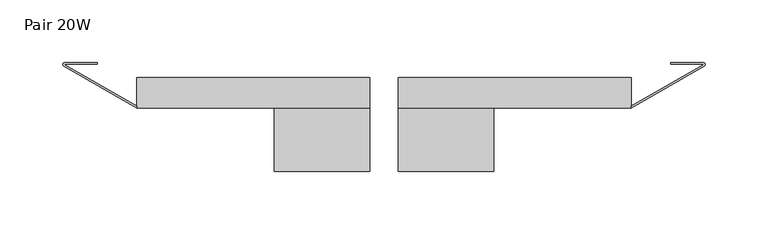
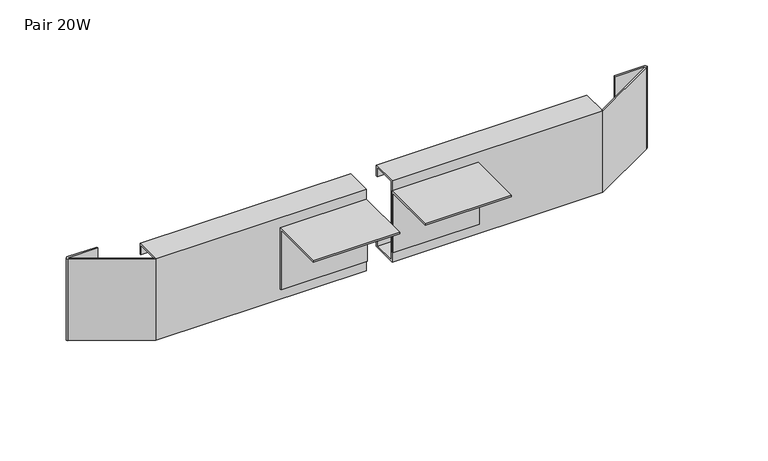
"""IFC4 building model written with IfcOpenShell, lengths in millimetres: furniture geometry, Pair 20W."""

from ifc_helpers import new_model, si_unit, point, frame, frame_2d, origin, place, context, project, spatial, polyline, circle_curve, trimmed, segment, composite_curve, outline, extrude, source, transform, mapped, element, save


def pair_20w_a31ea4b6(model_context):
    return source(origin(), model_context, "Body", "SweptSolid", [
        extrude(outline(composite_curve([segment(polyline([(486.7238485, 0.6810917), (512.9620482, 0.6810917), (514.1307654, 0.1351898), (514.462206, -1.111428), (513.7189235, -2.1656766), (455.3040481, -35.5901082), (455.3040481, -34.1269049), (512.3862825, -1.4649977)]), True, "CONTINUOUS"), segment(trimmed(circle_curve(frame_2d((512.041799, -0.8629543)), 0.6936319), [point((512.3862825, -1.4649977))], [point((512.6789991, -0.5889084))], True, "CARTESIAN"), True, "CONTINUOUS"), segment(polyline([(512.6789991, -0.5889084), (486.7238485, -0.5889084), (486.7238485, 0.6810917)]), True, "CONTINUOUS")], self_intersect=False)), frame((0.0, 0.0, 624.44612), z_axis=(0.0, 0.0, 1.0), x_axis=(1.0, 0.0, 0.0)), (0.0, 0.0, 1.0), 76.1112641),
        extrude(outline(polyline([(-86.390112, 691.0323841), (-35.5901082, 691.0323841), (-35.5901082, 633.8823841), (-36.8601093, 633.8823841), (-36.8601093, 689.7624035), (-86.390112, 689.7624035), (-86.390112, 691.0323841)])), frame((269.1220394, 0.0, 0.0), z_axis=(1.0, 0.0, 0.0), x_axis=(0.0, 1.0, 0.0)), (0.0, 0.0, 1.0), 76.2),
        extrude(outline(polyline([(-11.4601085, 700.5573841), (-11.4601085, 690.3973938), (-12.7301085, 690.3973938), (-12.7301085, 699.2874035), (-34.1269049, 699.2874035), (-34.1269049, 625.6273647), (-12.7301085, 625.6273647), (-12.7301085, 634.5173744), (-11.4601085, 634.5173744), (-11.4601085, 624.44612), (-35.5901082, 624.44612), (-35.5901082, 700.5573841), (-11.4601085, 700.5573841)])), frame((269.1220394, 0.0, 0.0), z_axis=(1.0, 0.0, 0.0), x_axis=(0.0, 1.0, 0.0)), (0.0, 0.0, 1.0), 186.1820087),
        extrude(outline(composite_curve([segment(polyline([(28.9142303, 0.6810917), (28.9142303, -0.5889084), (2.9590797, -0.5889084)]), True, "CONTINUOUS"), segment(trimmed(circle_curve(frame_2d((3.5962798, -0.8629543)), 0.6936319), [point((2.9590797, -0.5889084))], [point((3.2517963, -1.4649977))], True, "CARTESIAN"), True, "CONTINUOUS"), segment(polyline([(3.2517963, -1.4649977), (60.3340308, -34.1269049), (60.3340308, -35.5901082), (1.9191553, -2.1656766), (1.1758729, -1.111428), (1.5073134, 0.1351898), (2.6760307, 0.6810917), (28.9142303, 0.6810917)]), True, "CONTINUOUS")], self_intersect=False)), frame((0.0, 0.0, 624.44612), z_axis=(0.0, 0.0, 1.0), x_axis=(1.0, 0.0, 0.0)), (0.0, 0.0, 1.0), 76.1112641),
        extrude(outline(polyline([(-86.390112, 691.0323841), (-35.5901082, 691.0323841), (-35.5901082, 633.8823841), (-36.8601093, 633.8823841), (-36.8601093, 689.7624035), (-86.390112, 689.7624035), (-86.390112, 691.0323841)])), frame((170.3160394, 0.0, 0.0), z_axis=(1.0, 0.0, 0.0), x_axis=(0.0, 1.0, 0.0)), (0.0, 0.0, 1.0), 76.2),
        extrude(outline(polyline([(-11.4601085, 700.5573841), (-11.4601085, 690.3973938), (-12.7301085, 690.3973938), (-12.7301085, 699.2874035), (-34.1269049, 699.2874035), (-34.1269049, 625.6273647), (-12.7301085, 625.6273647), (-12.7301085, 634.5173744), (-11.4601085, 634.5173744), (-11.4601085, 624.44612), (-35.5901082, 624.44612), (-35.5901082, 700.5573841), (-11.4601085, 700.5573841)])), frame((60.3340308, 0.0, 0.0), z_axis=(1.0, 0.0, 0.0), x_axis=(0.0, 1.0, 0.0)), (0.0, 0.0, 1.0), 186.1820087),
    ])


if __name__ == "__main__":
    model = new_model("IFC4")
    model_context = context("Model", 3, world=origin())
    ifc_project = project(units=[si_unit("LENGTHUNIT", "METRE", prefix="MILLI")], contexts=[model_context])
    site = spatial("IfcSite", under=ifc_project)
    building = spatial("IfcBuilding", under=site)
    placement = place(None, origin())
    pair_20w_shape = pair_20w_a31ea4b6(model_context)
    element("IfcFurniture", 1, ObjectType="Pair 20W", at=placement, inside=building, context=model_context, shape_type="MappedRepresentation", body=[
        mapped(pair_20w_shape, transform((0.0, 0.0, 0.0), x_axis=(1.0, 0.0, 0.0), y_axis=(0.0, 1.0, 0.0), z_axis=(0.0, 0.0, 1.0))),
    ])
    save(model, "model.ifc")
